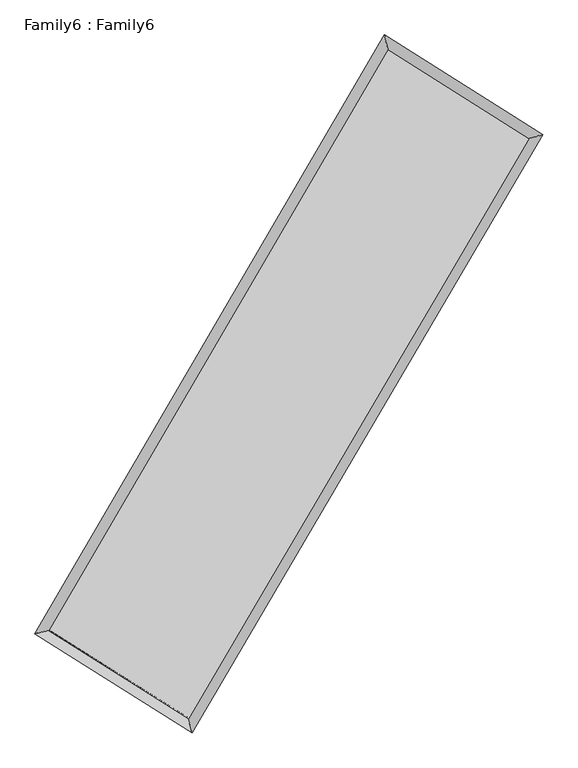
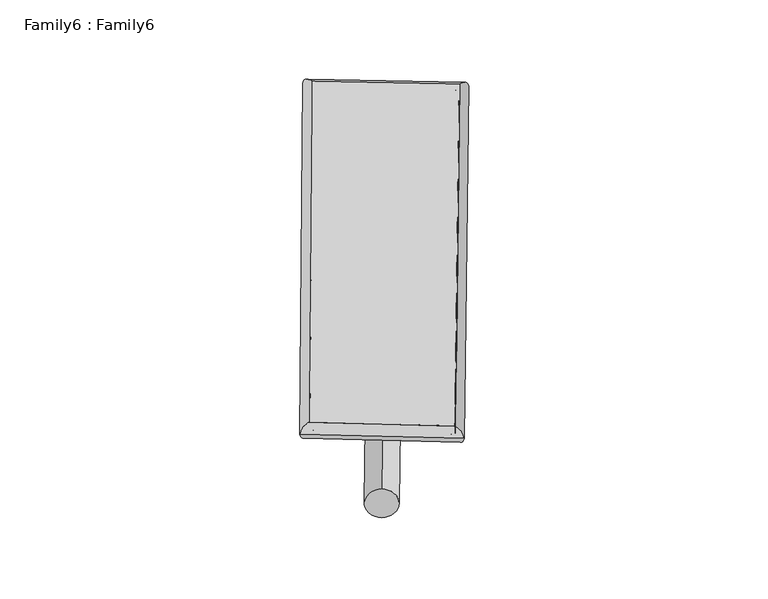
"""IFC4 building model written with IfcOpenShell, lengths in millimetres: plate geometry, Family6 : Family6."""

import ifcopenshell
import ifcopenshell.guid

model = None  # the IFC model being written
_history = None  # IfcOwnerHistory: only IFC2X3 demands one
_inside = {}  # id of a spatial element -> (the spatial element, [elements in it])
_under = {}  # id of a project, library or spatial element -> (it, [spatial elements below it])
_declared = {}  # id of a project -> (the project, [libraries it declares])
_typed = {}  # id of a type object -> (the type object, [elements of that type])
_made_of = {}  # id of a material, layer set ... -> (it, [elements and type objects made of it])


def new_model(schema):
    """Start an empty IFC model of exactly this schema.

    Asked for "IFC4X3", IfcOpenShell would pick the latest addendum, in which some entities
    have other attributes; the version numbers below select the first issue.
    IFC2X3 requires an IfcOwnerHistory on every rooted entity: one is made here for all.
    """
    global model, _history
    if schema == "IFC4X3":
        model = ifcopenshell.file(schema_version=(4, 3, 0, 0))
    else:
        model = ifcopenshell.file(schema=schema)
    _inside.clear()
    _under.clear()
    _declared.clear()
    _typed.clear()
    _made_of.clear()
    _history = None
    if model.schema == "IFC2X3":
        org = make("IfcOrganization", Name="unknown")
        user = make(
            "IfcPersonAndOrganization",
            ThePerson=make("IfcPerson", FamilyName="unknown"),
            TheOrganization=org,
        )
        app = make(
            "IfcApplication",
            ApplicationDeveloper=org,
            Version="unknown",
            ApplicationFullName="unknown",
            ApplicationIdentifier="unknown",
        )
        _history = make(
            "IfcOwnerHistory",
            OwningUser=user,
            OwningApplication=app,
            ChangeAction="ADDED",
            CreationDate=0,
        )
    return model


def make(cls, **values):
    """One entity of the class cls with the attributes given. An attribute that is None is left unset."""
    return model.create_entity(
        cls, **{name: value for name, value in values.items() if value is not None}
    )


def rooted(cls, **values):
    """An entity with a GlobalId (a new one), such as an element, a storey or a relation."""
    return make(cls, GlobalId=ifcopenshell.guid.new(), OwnerHistory=_history, **values)


def si_unit(unit_type, name, prefix=None):
    """IfcSIUnit, for example si_unit("LENGTHUNIT", "METRE", prefix="MILLI")."""
    return make("IfcSIUnit", UnitType=unit_type, Prefix=prefix, Name=name)


def assignment(units):
    """IfcUnitAssignment: the units of a project."""
    return None if units is None else make("IfcUnitAssignment", Units=units)


def point(xyz):
    """IfcCartesianPoint."""
    return None if xyz is None else make("IfcCartesianPoint", Coordinates=xyz)


def direction(xyz):
    """IfcDirection."""
    return None if xyz is None else make("IfcDirection", DirectionRatios=xyz)


def frame(location, z_axis=None, x_axis=None):
    """IfcAxis2Placement3D, a coordinate frame: its origin and axes. An axis left out is left unset."""
    return make(
        "IfcAxis2Placement3D",
        Location=point(location),
        Axis=direction(z_axis),
        RefDirection=direction(x_axis),
    )


def frame_2d(location, x_axis=None):
    """IfcAxis2Placement2D, a coordinate frame in the plane: its origin and x axis."""
    return make(
        "IfcAxis2Placement2D", Location=point(location), RefDirection=direction(x_axis)
    )


def origin():
    """The frame at (0, 0, 0) with its axes left unset."""
    return frame((0.0, 0.0, 0.0))


def origin_2d():
    """The frame at (0, 0) in the plane with its x axis left unset."""
    return frame_2d((0.0, 0.0))


def place(relative_to, where):
    """IfcLocalPlacement: puts the frame where relative to a parent placement (None: the world)."""
    return make(
        "IfcLocalPlacement", PlacementRelTo=relative_to, RelativePlacement=where
    )


def context(
    kind, dimensions, precision=None, world=None, true_north=None, identifier=None
):
    """IfcGeometricRepresentationContext, for example the 3D "Model" context."""
    return make(
        "IfcGeometricRepresentationContext",
        ContextIdentifier=identifier,
        ContextType=kind,
        CoordinateSpaceDimension=dimensions,
        Precision=precision,
        WorldCoordinateSystem=world,
        TrueNorth=true_north,
    )


def project(units=None, contexts=None):
    """IfcProject with its units and contexts."""
    return rooted(
        "IfcProject",
        Name="project",
        RepresentationContexts=contexts,
        UnitsInContext=assignment(units),
    )


def spatial(cls, under=None, at=None, **own):
    """A site, building, storey or space (cls), placed at a placement, below another one or the project."""
    s = rooted(cls, ObjectPlacement=at, **own)
    if under is not None:
        _under.setdefault(under.id(), (under, []))[1].append(s)
    return s


def circle_curve(where, radius):
    """IfcCircle in the frame where."""
    return make("IfcCircle", Position=where, Radius=radius)


def ellipse_curve(where, semi_axis1, semi_axis2):
    """IfcEllipse in the frame where."""
    return make(
        "IfcEllipse", Position=where, SemiAxis1=semi_axis1, SemiAxis2=semi_axis2
    )


def trimmed(basis, trim1, trim2, sense, master):
    """IfcTrimmedCurve: the piece of a basis curve between two trims."""
    return make(
        "IfcTrimmedCurve",
        BasisCurve=basis,
        Trim1=trim1,
        Trim2=trim2,
        SenseAgreement=sense,
        MasterRepresentation=master,
    )


def segment(curve, same_sense, transition):
    """IfcCompositeCurveSegment."""
    return make(
        "IfcCompositeCurveSegment",
        Transition=transition,
        SameSense=same_sense,
        ParentCurve=curve,
    )


def composite_curve(segments, self_intersect=None):
    """IfcCompositeCurve: segments joined end to end."""
    return make("IfcCompositeCurve", Segments=segments, SelfIntersect=self_intersect)


def outline(outer, holes=None, kind="AREA"):
    """IfcArbitraryClosedProfileDef: a profile drawn as a closed curve; with holes, ...WithVoids."""
    if holes is None:
        return make("IfcArbitraryClosedProfileDef", ProfileType=kind, OuterCurve=outer)
    return make(
        "IfcArbitraryProfileDefWithVoids",
        ProfileType=kind,
        OuterCurve=outer,
        InnerCurves=holes,
    )


def extrude(swept, where, along, depth):
    """IfcExtrudedAreaSolid: the profile swept, set in the frame where, extruded along a direction by depth."""
    return make(
        "IfcExtrudedAreaSolid",
        SweptArea=swept,
        Position=where,
        ExtrudedDirection=direction(along),
        Depth=depth,
    )


def shape(context_of_items, identifier, shape_type, items):
    """IfcShapeRepresentation: the items that make up one representation, for example the "Body"."""
    return make(
        "IfcShapeRepresentation",
        ContextOfItems=context_of_items,
        RepresentationIdentifier=identifier,
        RepresentationType=shape_type,
        Items=items,
    )


def source(mapping_origin, context_of_items, identifier, shape_type, items):
    """IfcRepresentationMap: a shape defined once, which mapped items show again and again."""
    return make(
        "IfcRepresentationMap",
        MappingOrigin=mapping_origin,
        MappedRepresentation=shape(context_of_items, identifier, shape_type, items),
    )


def transform(
    local_origin,
    x_axis=None,
    y_axis=None,
    z_axis=None,
    scale=None,
    scale2=None,
    scale3=None,
    uniform=True,
):
    """IfcCartesianTransformationOperator3D, or its non-uniform kind. x_axis, y_axis, z_axis: its Axis1, 2, 3."""
    if uniform:
        return make(
            "IfcCartesianTransformationOperator3D",
            Axis1=direction(x_axis),
            Axis2=direction(y_axis),
            LocalOrigin=point(local_origin),
            Scale=scale,
            Axis3=direction(z_axis),
        )
    return make(
        "IfcCartesianTransformationOperator3DnonUniform",
        Axis1=direction(x_axis),
        Axis2=direction(y_axis),
        LocalOrigin=point(local_origin),
        Scale=scale,
        Axis3=direction(z_axis),
        Scale2=scale2,
        Scale3=scale3,
    )


def mapped(mapping_source, mapping_target):
    """IfcMappedItem: shows the shape of a source again, moved by a transform."""
    return make(
        "IfcMappedItem", MappingSource=mapping_source, MappingTarget=mapping_target
    )


def made_of(thing, what):
    """Note that an element or type object is made of a material, layer set ...; save() writes the relation."""
    if what is not None:
        _made_of.setdefault(what.id(), (what, []))[1].append(thing)
    return thing


def element(
    cls,
    number,
    at=None,
    inside=None,
    cuts=None,
    type_object=None,
    material=None,
    context=None,
    identifier="Body",
    shape_type=None,
    held_by="IfcProductDefinitionShape",
    body=None,
    shapes=None,
    **own,
):
    """One element of the class cls, such as IfcWall. Its Tag is "e" and its number.

    at: its placement. inside: the storey or other place that contains it. cuts: it is an
    opening in that element (IfcRelVoidsElement). A single representation is given by context,
    identifier, shape_type and body (its items); several are given by shapes. held_by: the class
    of the entity that holds the representations. save() writes the other relations.
    """
    e = rooted(cls, Tag="e%d" % number, ObjectPlacement=at, **own)
    if body is not None:
        shapes = [shape(context, identifier, shape_type, body)]
    if shapes is not None:
        e.Representation = make(held_by, Representations=shapes)
    if inside is not None:
        _inside.setdefault(inside.id(), (inside, []))[1].append(e)
    if cuts is not None:
        rooted(
            "IfcRelVoidsElement", RelatingBuildingElement=cuts, RelatedOpeningElement=e
        )
    if type_object is not None:
        _typed.setdefault(type_object.id(), (type_object, []))[1].append(e)
    return made_of(e, material)


def aggregate(whole, parts):
    """IfcRelAggregates: a whole, such as a stair, and the parts it consists of."""
    return rooted("IfcRelAggregates", RelatingObject=whole, RelatedObjects=parts)


def save(model, path):
    """Write the relations noted so far, then the file.

    IfcRelAggregates (storeys below a building ...), IfcRelContainedInSpatialStructure (elements
    in a storey), IfcRelDefinesByType, IfcRelAssociatesMaterial and IfcRelDeclares: one each for
    every whole, place, type object, material and project.
    """
    for whole, parts in _under.values():
        aggregate(whole, parts)
    for where, things in _inside.values():
        rooted(
            "IfcRelContainedInSpatialStructure",
            RelatedElements=things,
            RelatingStructure=where,
        )
    for kind, things in _typed.values():
        rooted("IfcRelDefinesByType", RelatedObjects=things, RelatingType=kind)
    for what, things in _made_of.values():
        rooted("IfcRelAssociatesMaterial", RelatedObjects=things, RelatingMaterial=what)
    for by, libraries in _declared.values():
        rooted("IfcRelDeclares", RelatingContext=by, RelatedDefinitions=libraries)
    model.write(path)


def plane_surface(at):
    """IfcPlane: the flat surface through the origin of the frame at, square to its z axis."""
    return make("IfcPlane", Position=at)


def cylinder_surface(at, radius):
    """IfcCylindricalSurface: all points at the distance radius from the z axis of the frame at."""
    return make("IfcCylindricalSurface", Position=at, Radius=radius)


def spline_surface(u_degree, v_degree, points, u_multiplicities, v_multiplicities, u_knots, v_knots, weights=None):
    """IfcBSplineSurfaceWithKnots; with weights, IfcRationalBSplineSurfaceWithKnots. points: one row for each step in u."""
    own = dict(
        UDegree=u_degree,
        VDegree=v_degree,
        ControlPointsList=[[point(p) for p in row] for row in points],
        SurfaceForm="UNSPECIFIED",
        UClosed=False,
        VClosed=False,
        SelfIntersect=False,
        UMultiplicities=u_multiplicities,
        VMultiplicities=v_multiplicities,
        UKnots=u_knots,
        VKnots=v_knots,
        KnotSpec="UNSPECIFIED",
    )
    if weights is None:
        return make("IfcBSplineSurfaceWithKnots", **own)
    return make("IfcRationalBSplineSurfaceWithKnots", WeightsData=weights, **own)


def advanced_brep(points, edges, surfaces, faces):
    """IfcAdvancedBrep: a solid bounded by faces that lie on surfaces and meet in shared edges.

    An edge is (start, end): straight between two places in points (the first is 0);
    or (start, end, curve); or (start, end, curve, False) where it runs against its curve.
    A face is (place in surfaces, loops), or (place, loops, False) where it looks against
    its surface's normal. A loop lists edges by number (the first is 1), with a minus sign
    where the edge is run from its end to its start. The first loop is the outer one.
    """
    corners = [point(p) for p in points]
    vertices = [make("IfcVertexPoint", VertexGeometry=c) for c in corners]
    made = []
    for start, end, *more in edges:
        made.append(
            make(
                "IfcEdgeCurve",
                EdgeStart=vertices[start],
                EdgeEnd=vertices[end],
                EdgeGeometry=more[0] if more else make("IfcPolyline", Points=[corners[start], corners[end]]),
                SameSense=more[1] if len(more) > 1 else True,
            )
        )
    hull = []
    for where, loops, *sense in faces:
        bounds = []
        for j, loop in enumerate(loops):
            ring = [make("IfcOrientedEdge", EdgeElement=made[abs(k) - 1], Orientation=k > 0) for k in loop]
            bounds.append(
                make(
                    "IfcFaceOuterBound" if j == 0 else "IfcFaceBound",
                    Bound=make("IfcEdgeLoop", EdgeList=ring),
                    Orientation=True,
                )
            )
        hull.append(make("IfcAdvancedFace", Bounds=bounds, FaceSurface=surfaces[where], SameSense=sense[0] if sense else True))
    return make("IfcAdvancedBrep", Outer=make("IfcClosedShell", CfsFaces=hull))


def family6_family6_fbaef16c(model_context):
    return source(origin(), model_context, "Body", "SolidModel", [
        extrude(outline(composite_curve([segment(trimmed(circle_curve(origin_2d(), 76.2), [point((-75.4341514, -10.7763074))], [point((75.4341514, 10.7763074))], False, "CARTESIAN"), True, "CONTINUOUS"), segment(trimmed(circle_curve(origin_2d(), 76.2), [point((75.4341514, 10.7763074))], [point((-75.4341514, -10.7763074))], False, "CARTESIAN"), True, "CONTINUOUS")], self_intersect=False)), frame((9144.0, 9144.0, 0.0), z_axis=(0.6726532331870227, 0.6866122269144534, 0.2758646003651431), x_axis=(-0.6789316932459243, 0.7209404751366219, -0.1389121564730902)), (0.0, 0.0, 1.0), 5540.5250707),
        extrude(outline(composite_curve([segment(trimmed(circle_curve(origin_2d(), 76.2), [point((-53.8815367, 53.8815367))], [point((53.8815367, -53.8815367))], False, "CARTESIAN"), True, "CONTINUOUS"), segment(trimmed(circle_curve(origin_2d(), 76.2), [point((53.8815367, -53.8815367))], [point((-53.8815367, 53.8815367))], False, "CARTESIAN"), True, "CONTINUOUS")], self_intersect=False)), frame((9144.0, 9144.0, 0.0), z_axis=(-0.6711178293440314, -0.6880904684510121, 0.27592094223422464), x_axis=(0.6438351568485607, -0.35645450937015066, 0.6770646007254216)), (0.0, 0.0, 1.0), 5539.2879765),
        extrude(outline(composite_curve([segment(trimmed(circle_curve(origin_2d(), 76.2), [point((-53.8815367, -53.8815367))], [point((53.8815367, 53.8815367))], False, "CARTESIAN"), True, "CONTINUOUS"), segment(trimmed(circle_curve(origin_2d(), 76.2), [point((53.8815367, 53.8815367))], [point((-53.8815367, -53.8815367))], False, "CARTESIAN"), True, "CONTINUOUS")], self_intersect=False)), frame((9144.0, 9144.0, 0.0), z_axis=(0.2736108239702266, 0.9231844066645097, 0.2699401198374024), x_axis=(-0.8396015930827551, 0.36616212892189853, -0.4012411497295397)), (0.0, 0.0, 1.0), 5618.8642519),
        extrude(outline(composite_curve([segment(trimmed(circle_curve(origin_2d(), 76.2), [point((-75.4341515, 10.7763074))], [point((75.4341515, -10.7763074))], False, "CARTESIAN"), True, "CONTINUOUS"), segment(trimmed(circle_curve(origin_2d(), 76.2), [point((75.4341515, -10.7763074))], [point((-75.4341515, 10.7763074))], False, "CARTESIAN"), True, "CONTINUOUS")], self_intersect=False)), frame((9144.0, 9144.0, 0.0), z_axis=(-0.27539714830971757, -0.9225850694667371, 0.270172538019562), x_axis=(0.8785999274668298, -0.12749350563294995, 0.46022556803887193)), (0.0, 0.0, 1.0), 5613.5035833),
        advanced_brep(
        [(5220.5636319, 5282.047271, 1527.4903426), (5220.5594337, 5282.0410406, 1529.5797446), (5632.4065223, 5382.8902118, 1529.320773), (10733.406119, 14118.126821, 1518.0132531), (10629.3580365, 14544.3689001, 1515.5005259), (5632.4107205, 5382.8964421, 1527.231371), (12664.7507377, 12898.1251918, 1528.3143501), (13076.953467, 12998.2593223, 1528.5551188), (7546.2147213, 4177.8054206, 1516.8399341), (7649.899521, 3752.3253926, 1516.3890865)],
        [
            (0, 1, ellipse_curve(frame((5426.4850771, 5332.4687414, 1528.4055578), z_axis=(-0.2378413672077812, 0.971301001391334, 0.0024184170287549073), x_axis=(-0.9712932806050097, -0.23784970640821507, 0.004108553648608732)), 212.0136511, 152.4)),
            (1, 2, ellipse_curve(frame((5426.4850771, 5332.4687414, 1528.4055578), z_axis=(-0.2378413672077812, 0.971301001391334, 0.0024184170287549073), x_axis=(-0.9712932806050097, -0.23784970640821507, 0.004108553648608732)), 212.0136511, 152.4)),
            (2, 3),
            (3, 4, ellipse_curve(frame((10681.3820777, 14331.2478605, 1516.7568895), z_axis=(-0.9714686740807795, -0.23715534296218516, -0.0024410211429709942), x_axis=(0.23714495994706536, -0.9714664013701547, 0.003911391136956998)), 219.3828318, 152.4)),
            (4, 0),
            (2, 5, ellipse_curve(frame((5426.4850771, 5332.4687414, 1528.4055578), z_axis=(-0.2378413672077812, 0.971301001391334, 0.0024184170287549073), x_axis=(-0.9712932806050097, -0.23784970640821507, 0.004108553648608732)), 212.0136511, 152.4)),
            (5, 0, ellipse_curve(frame((5426.4850771, 5332.4687414, 1528.4055578), z_axis=(-0.2378413672077812, 0.971301001391334, 0.0024184170287549073), x_axis=(-0.9712932806050097, -0.23784970640821507, 0.004108553648608732)), 212.0136511, 152.4)),
            (4, 3, ellipse_curve(frame((10681.3820777, 14331.2478605, 1516.7568895), z_axis=(-0.9714686740807795, -0.23715534296218516, -0.0024410211429709942), x_axis=(0.23714495994706536, -0.9714664013701547, 0.003911391136956998)), 219.3828318, 152.4)),
            (3, 6),
            (6, 7, ellipse_curve(frame((12870.8521024, 12948.1922571, 1528.4347344), z_axis=(-0.23605716445039934, 0.9717363332072566, -0.002348155989875576), x_axis=(-0.9717287634267315, -0.2360651306669485, -0.00405763630108735)), 212.0967028, 152.4)),
            (7, 4),
            (7, 6, ellipse_curve(frame((12870.8521024, 12948.1922571, 1528.4347344), z_axis=(-0.23605716445039934, 0.9717363332072566, -0.002348155989875576), x_axis=(-0.9717287634267315, -0.2360651306669485, -0.00405763630108735)), 212.0967028, 152.4)),
            (6, 8),
            (8, 9, ellipse_curve(frame((7598.0571211, 3965.0654066, 1516.6145103), z_axis=(0.9715644518826162, 0.2367621968506168, -0.0024855543650412304), x_axis=(-0.23675140945673123, 0.9715620686145259, 0.003989605207846338)), 218.9667691, 152.4)),
            (9, 7),
            (9, 8, ellipse_curve(frame((7598.0571211, 3965.0654066, 1516.6145103), z_axis=(0.9715644518826162, 0.2367621968506168, -0.0024855543650412304), x_axis=(-0.23675140945673123, 0.9715620686145259, 0.003989605207846338)), 218.9667691, 152.4)),
            (8, 5),
            (1, 9),
        ],
        [
            cylinder_surface(frame((5426.4850771, 5332.4687414, 1528.4055578), z_axis=(-0.5042722671853642, -0.8635439948235449, 0.0011178335861481013), x_axis=(-0.8635268464542643, 0.5042530801779506, -0.007086366050586299)), 152.4),
            cylinder_surface(frame((10681.3820777, 14331.2478605, 1516.7568895), z_axis=(-0.8454397837394918, 0.5340517189762001, -0.0045092714586536615), x_axis=(0.5340673643424034, 0.8454343691135606, -0.0035746140930910165)), 152.4),
            cylinder_surface(frame((12870.8521024, 12948.1922571, 1528.4347344), z_axis=(0.5062066756326952, 0.8624114527377207, 0.0011347826706530762), x_axis=(0.8624121441701684, -0.5062066756326952, -0.0003084359057352643)), 152.4),
            cylinder_surface(frame((7598.0571211, 3965.0654066, 1516.6145103), z_axis=(0.846203309533614, -0.5328403589104099, -0.004594654566379453), x_axis=(-0.5328304709569219, -0.8462157260430752, 0.0032610147525311823)), 152.4),
        ],
        [
            (0, [[1, 2, 3, 4, 5]]),
            (0, [[6, 7, -5, 8, -3]]),
            (1, [[-4, 9, 10, 11]]),
            (1, [[-8, -11, 12, -9]]),
            (2, [[-10, 13, 14, 15]]),
            (2, [[-12, -15, 16, -13]]),
            (3, [[-14, 17, -6, -2, 18]]),
            (3, [[-16, -18, -1, -7, -17]]),
        ],
    ),
        extrude(outline(composite_curve([segment(trimmed(circle_curve(origin_2d(), 304.8), [point((0.0, 304.8))], [point((0.0, -304.8))], False, "CARTESIAN"), True, "CONTINUOUS"), segment(trimmed(circle_curve(origin_2d(), 304.8), [point((0.0, -304.8))], [point((0.0, 304.8))], False, "CARTESIAN"), True, "CONTINUOUS")], self_intersect=False)), frame((11789.7217965, 13648.382816, -0.0004678), z_axis=(-0.5064632187114126, -0.8622615659371974, 8.955609100096857e-08), x_axis=(-0.8622615659372017, 0.5064632187114126, -2.43557977747001e-08)), (0.0, 0.0, 1.0), 10447.8339147),
        advanced_brep(
        [(5426.4850771, 5332.4687414, 1528.4055578), (7598.0571211, 3965.0654066, 1516.6145103), (7598.0566423, 3965.0642682, 1669.0145103), (5426.4845983, 5332.467603, 1680.8055578), (12870.8521024, 12948.1922571, 1528.4347344), (12870.8516235, 12948.1911187, 1680.8347344), (10681.3820777, 14331.2478605, 1516.7568895), (10681.3815989, 14331.2467222, 1669.1568895)],
        [
            (0, 1),
            (1, 2),
            (2, 3),
            (3, 0),
            (1, 4),
            (4, 5),
            (5, 2),
            (4, 6),
            (6, 7),
            (7, 5),
            (6, 0),
            (3, 7),
        ],
        [
            plane_surface(frame((6512.2710991, 4648.767074, 1522.510034), z_axis=(-0.5328460144247085, -0.8462122221096682, -7.995093601700833e-06), x_axis=(0.8462033095336142, -0.5328403589104097, -0.0045946545663794565))),
            plane_surface(frame((10234.4546117, 8456.6288318, 1522.5246224), z_axis=(0.8624120086305455, -0.506207000513308, -1.071480445121462e-06), x_axis=(0.5062066756326951, 0.8624114527377207, 0.0011347826706530747))),
            plane_surface(frame((11776.11709, 13639.7200588, 1522.595812), z_axis=(0.5340571181468127, 0.8454483984802564, 7.993193415776426e-06), x_axis=(-0.8454397837394915, 0.5340517189762001, -0.0045092714586536615))),
            plane_surface(frame((8053.9335774, 9831.8583009, 1522.5812236), z_axis=(-0.863544533751267, 0.5042725832594878, 1.053472664603141e-06), x_axis=(-0.5042722671853641, -0.8635439948235448, 0.0011178335861481018))),
            spline_surface(1, 1, [[(7598.0566423, 3965.0642682, 1669.0145103), (5426.4845983, 5332.467603, 1680.8055578)], [(12870.8516235, 12948.1911187, 1680.8347344), (10681.3815989, 14331.2467222, 1669.1568895)]], [2, 2], [2, 2], [0.0, 1.0], [0.0, 1.0]),
            spline_surface(1, 1, [[(10681.3820777, 14331.2478605, 1516.7568895), (5426.4850771, 5332.4687414, 1528.4055578)], [(12870.8521024, 12948.1922571, 1528.4347344), (7598.0571211, 3965.0654066, 1516.6145103)]], [2, 2], [2, 2], [0.0, 1.0], [0.0, 1.0]),
        ],
        [
            (0, [[1, 2, 3, 4]]),
            (1, [[5, 6, 7, -2]]),
            (2, [[8, 9, 10, -6]]),
            (3, [[11, -4, 12, -9]]),
            (4, [[-3, -7, -10, -12]]),
            (5, [[-11, -8, -5, -1]]),
        ],
    ),
    ])


if __name__ == "__main__":
    model = new_model("IFC4")
    model_context = context("Model", 3, world=origin())
    ifc_project = project(units=[si_unit("LENGTHUNIT", "METRE", prefix="MILLI")], contexts=[model_context])
    site = spatial("IfcSite", under=ifc_project)
    building = spatial("IfcBuilding", under=site)
    placement = place(None, origin())
    family6_family6_shape = family6_family6_fbaef16c(model_context)
    element("IfcPlate", 1, ObjectType="Family6 : Family6", at=placement, inside=building, context=model_context, shape_type="MappedRepresentation", body=[
        mapped(family6_family6_shape, transform((0.0, 0.0, 0.0), x_axis=(1.0, 0.0, 0.0), y_axis=(0.0, 1.0, 0.0), z_axis=(0.0, 0.0, 1.0))),
    ])
    save(model, "model.ifc")
